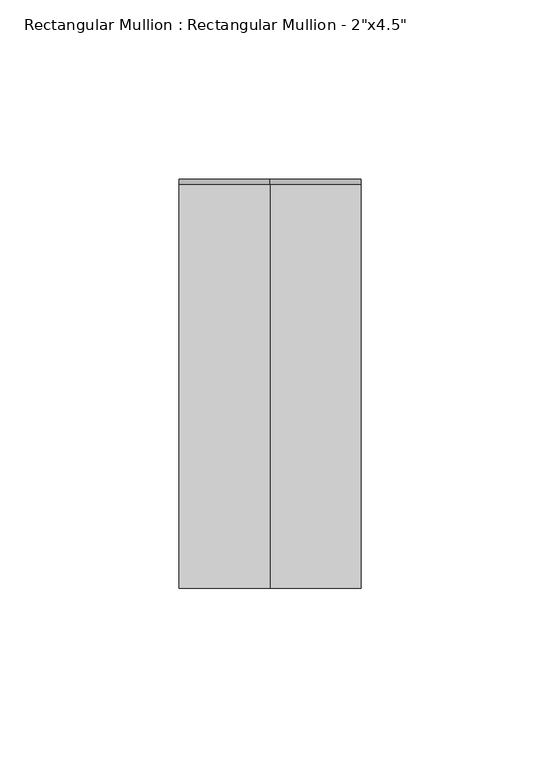
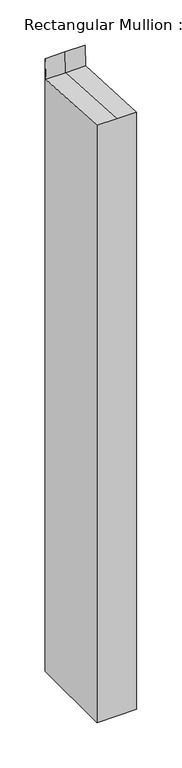
"""IFC4 building model written with IfcOpenShell, lengths in millimetres: member geometry."""

from ifc_helpers import new_model, si_unit, origin, place, context, project, spatial, faceted_brep, source, transform, mapped, element, save


def member_1b3d900c(model_context):
    return source(origin(), model_context, "Body", "Brep", [
        faceted_brep([(25.4, 57.15, -801.813219), (25.4, -57.15, -801.813219), (-25.4, -57.15, -801.813219), (-25.4, 57.15, -801.813219), (-25.4, 57.15, 23.7952212), (0.0, 57.15, 23.7952212), (25.4, 57.15, 23.7952212), (-25.4, -57.15, 3.1720032), (-25.4, 55.6346001, -3.1670049), (25.4, -57.15, 3.1720032), (0.0, -57.15, 3.1720032), (25.4, 55.6346001, -3.1670049), (0.0, 55.6346001, -3.1670049)], [[[0, 1, 2, 3]], [[4, 5, 6, 0, 3]], [[7, 8, 4, 3, 2]], [[9, 10, 7, 2, 1]], [[6, 11, 9, 1, 0]], [[6, 5, 12, 11]], [[5, 4, 8, 12]], [[8, 7, 10, 12]], [[10, 9, 11, 12]]]),
    ])


if __name__ == "__main__":
    model = new_model("IFC4")
    model_context = context("Model", 3, world=origin())
    ifc_project = project(units=[si_unit("LENGTHUNIT", "METRE", prefix="MILLI")], contexts=[model_context])
    site = spatial("IfcSite", under=ifc_project)
    building = spatial("IfcBuilding", under=site)
    placement = place(None, origin())
    member_shape = member_1b3d900c(model_context)
    element("IfcMember", 1, ObjectType="Rectangular Mullion : Rectangular Mullion - 2\"x4.5\"", at=placement, inside=building, context=model_context, shape_type="MappedRepresentation", body=[
        mapped(member_shape, transform((0.0, 0.0, 0.0), x_axis=(1.0, 0.0, 0.0), y_axis=(0.0, 1.0, 0.0), z_axis=(0.0, 0.0, 1.0))),
    ])
    save(model, "model.ifc")
